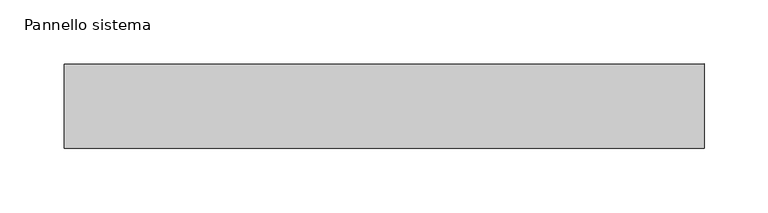
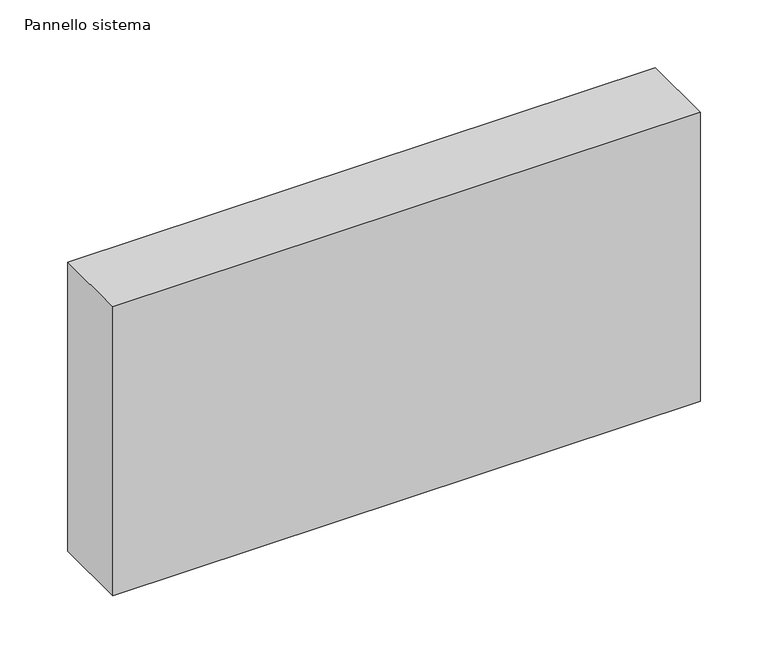
"""IFC4 building model written with IfcOpenShell, lengths in millimetres: plate geometry, Pannello sistema."""

from ifc_helpers import new_model, si_unit, origin, origin_with_axes, place, context, project, spatial, polyline, outline, extrude, source, transform, mapped, element, save


def pannello_sistema_c8a05fc4(model_context):
    return source(origin(), model_context, "Body", "SweptSolid", [
        extrude(outline(polyline([(250.0, -33.0), (-250.0, -33.0), (-250.0, 33.0), (250.0, 33.0), (250.0, -33.0)])), origin_with_axes(), (0.0, 0.0, 1.0), 260.0),
    ])


if __name__ == "__main__":
    model = new_model("IFC4")
    model_context = context("Model", 3, world=origin())
    ifc_project = project(units=[si_unit("LENGTHUNIT", "METRE", prefix="MILLI")], contexts=[model_context])
    site = spatial("IfcSite", under=ifc_project)
    building = spatial("IfcBuilding", under=site)
    placement = place(None, origin())
    pannello_sistema_shape = pannello_sistema_c8a05fc4(model_context)
    element("IfcPlate", 1, ObjectType="Pannello sistema", at=placement, inside=building, context=model_context, shape_type="MappedRepresentation", body=[
        mapped(pannello_sistema_shape, transform((0.0, 0.0, 0.0), x_axis=(1.0, 0.0, 0.0), y_axis=(0.0, 1.0, 0.0), z_axis=(0.0, 0.0, 1.0))),
    ])
    save(model, "model.ifc")
